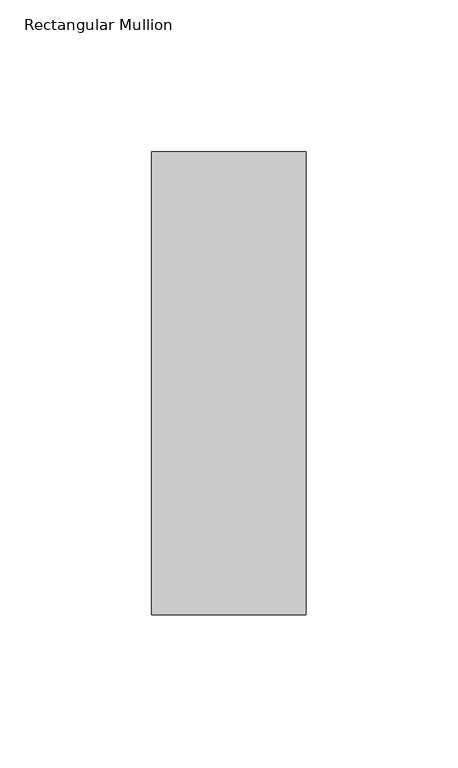
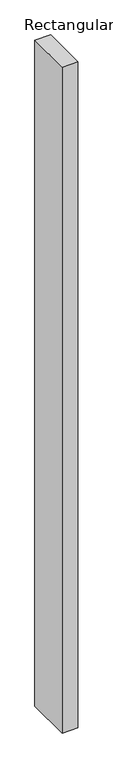
"""IFC4 building model written with IfcOpenShell, lengths in millimetres: member geometry, Rectangular Mullion."""

from ifc_helpers import new_model, si_unit, frame, origin, place, context, project, spatial, polyline, outline, extrude, source, transform, mapped, element, save


def rectangular_mullion_1cc80709(model_context):
    return source(origin(), model_context, "Body", "SweptSolid", [
        extrude(outline(polyline([(-50.8, -26.19375), (-50.8, 126.20625), (0.0, 126.20625), (0.0, -26.19375), (-50.8, -26.19375)])), frame((0.0, 0.0, -2286.0), z_axis=(0.0, 0.0, 1.0), x_axis=(1.0, 0.0, 0.0)), (0.0, 0.0, 1.0), 2286.0),
    ])


if __name__ == "__main__":
    model = new_model("IFC4")
    model_context = context("Model", 3, world=origin())
    ifc_project = project(units=[si_unit("LENGTHUNIT", "METRE", prefix="MILLI")], contexts=[model_context])
    site = spatial("IfcSite", under=ifc_project)
    building = spatial("IfcBuilding", under=site)
    placement = place(None, origin())
    rectangular_mullion_shape = rectangular_mullion_1cc80709(model_context)
    element("IfcMember", 1, ObjectType="Rectangular Mullion", at=placement, inside=building, context=model_context, shape_type="MappedRepresentation", body=[
        mapped(rectangular_mullion_shape, transform((0.0, 0.0, 0.0), x_axis=(1.0, 0.0, 0.0), y_axis=(0.0, 1.0, 0.0), z_axis=(0.0, 0.0, 1.0))),
    ])
    save(model, "model.ifc")
